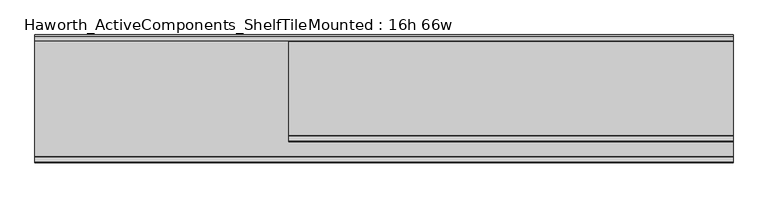
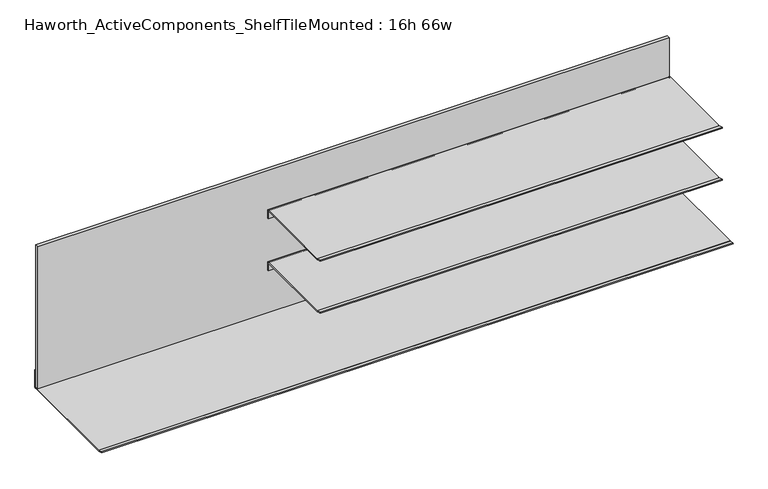
"""IFC4 building model written with IfcOpenShell, lengths in millimetres: furniture geometry, Haworth_ActiveComponents_ShelfTileMounted : 16h 66w."""

from ifc_helpers import new_model, si_unit, point, frame, frame_2d, origin, place, context, project, spatial, polyline, circle_curve, trimmed, segment, composite_curve, outline, extrude, source, transform, mapped, element, save


def haworth_activecomponents_shelftilemounted_16h_66w_fb44802e(model_context):
    return source(origin(), model_context, "Body", "SweptSolid", [
        extrude(outline(composite_curve([segment(polyline([(-1314.0921863, 734.7747869), (-1313.4018975, 737.3509066), (-1301.2394379, 734.0919868)]), True, "CONTINUOUS"), segment(trimmed(circle_curve(frame_2d((-1300.4176878, 737.1588014)), 3.175), [point((-1301.2394379, 734.0919868))], [point((-1300.4176878, 733.9838014))], True, "CARTESIAN"), True, "CONTINUOUS"), segment(polyline([(-1300.4176878, 733.9838014), (-1074.325211, 733.9838014)]), True, "CONTINUOUS"), segment(trimmed(circle_curve(frame_2d((-1074.325211, 730.9985118)), 2.9852896), [point((-1074.325211, 733.9838014))], [point((-1071.3399214, 730.9985118))], False, "CARTESIAN"), True, "CONTINUOUS"), segment(polyline([(-1071.3399214, 730.9985118), (-1071.3399214, 708.5837984), (-1074.2058961, 708.5837984), (-1074.2058961, 730.3073917)]), True, "CONTINUOUS"), segment(trimmed(circle_curve(frame_2d((-1075.2153083, 730.3073917)), 1.0094122), [point((-1074.2058961, 730.3073917))], [point((-1075.2153083, 731.316804))], True, "CARTESIAN"), True, "CONTINUOUS"), segment(polyline([(-1075.2153083, 731.316804), (-1300.768816, 731.316804)]), True, "CONTINUOUS"), segment(trimmed(circle_curve(frame_2d((-1300.768816, 734.491804)), 3.175), [point((-1300.768816, 731.316804))], [point((-1301.5905661, 731.4249894))], False, "CARTESIAN"), True, "CONTINUOUS"), segment(polyline([(-1301.5905661, 731.4249894), (-1314.0921863, 734.7747869)]), True, "CONTINUOUS")], self_intersect=False)), frame((-1879.546931, 0.0, 0.0), z_axis=(1.0, 0.0, 0.0), x_axis=(0.0, 1.0, 0.0)), (0.0, 0.0, 1.0), 1066.8),
        extrude(outline(composite_curve([segment(polyline([(-1314.0921863, 881.0787943), (-1313.4018975, 883.654914), (-1301.2394379, 880.3959943)]), True, "CONTINUOUS"), segment(trimmed(circle_curve(frame_2d((-1300.4176878, 883.4628089)), 3.175), [point((-1301.2394379, 880.3959943))], [point((-1300.4176878, 880.2878089))], True, "CARTESIAN"), True, "CONTINUOUS"), segment(polyline([(-1300.4176878, 880.2878089), (-1074.325211, 880.2878089)]), True, "CONTINUOUS"), segment(trimmed(circle_curve(frame_2d((-1074.325211, 877.3025192)), 2.9852896), [point((-1074.325211, 880.2878089))], [point((-1071.3399214, 877.3025192))], False, "CARTESIAN"), True, "CONTINUOUS"), segment(polyline([(-1071.3399214, 877.3025192), (-1071.3399214, 854.8878058), (-1074.2058961, 854.8878058), (-1074.2058961, 876.6113992)]), True, "CONTINUOUS"), segment(trimmed(circle_curve(frame_2d((-1075.2153083, 876.6113992)), 1.0094122), [point((-1074.2058961, 876.6113992))], [point((-1075.2153083, 877.6208114))], True, "CARTESIAN"), True, "CONTINUOUS"), segment(polyline([(-1075.2153083, 877.6208114), (-1300.768816, 877.6208114)]), True, "CONTINUOUS"), segment(trimmed(circle_curve(frame_2d((-1300.768816, 880.7958114)), 3.175), [point((-1300.768816, 877.6208114))], [point((-1301.5905661, 877.7289968))], False, "CARTESIAN"), True, "CONTINUOUS"), segment(polyline([(-1301.5905661, 877.7289968), (-1314.0921863, 881.0787943)]), True, "CONTINUOUS")], self_intersect=False)), frame((-1879.546931, 0.0, 0.0), z_axis=(1.0, 0.0, 0.0), x_axis=(0.0, 1.0, 0.0)), (0.0, 0.0, 1.0), 1066.8),
        extrude(outline(polyline([(-2489.146931, -1071.3399214), (-2489.146931, -1061.814921), (-812.746931, -1061.814921), (-812.746931, -1071.3399214), (-2489.146931, -1071.3399214)])), frame((0.0, 0.0, 588.8989999), z_axis=(0.0, 0.0, 1.0), x_axis=(1.0, 0.0, 0.0)), (0.0, 0.0, 1.0), 398.6529995),
        extrude(outline(composite_curve([segment(polyline([(-1061.0529213, 584.2), (-1351.0608317, 584.2)]), True, "CONTINUOUS"), segment(trimmed(circle_curve(frame_2d((-1351.0608317, 587.375)), 3.175), [point((-1351.0608317, 584.2))], [point((-1351.8825846, 584.3081862))], False, "CARTESIAN"), True, "CONTINUOUS"), segment(polyline([(-1351.8825846, 584.3081862), (-1364.3841902, 587.6579801), (-1363.6939146, 590.2341249), (-1351.7011481, 587.020674)]), True, "CONTINUOUS"), segment(trimmed(circle_curve(frame_2d((-1350.8794014, 590.0874913)), 3.1750017), [point((-1351.7011481, 587.020674))], [point((-1350.8794014, 586.9124896))], True, "CARTESIAN"), True, "CONTINUOUS"), segment(polyline([(-1350.8794014, 586.9124896), (-1061.5371086, 586.9124896)]), True, "CONTINUOUS"), segment(trimmed(circle_curve(frame_2d((-1061.5371086, 587.9046771)), 0.9921875), [point((-1061.5371086, 586.9124896))], [point((-1060.5449211, 587.9046771))], True, "CARTESIAN"), True, "CONTINUOUS"), segment(polyline([(-1060.5449211, 587.9046771), (-1060.5449211, 634.6189999), (-1057.8779213, 634.6189999), (-1057.8779213, 587.375)]), True, "CONTINUOUS"), segment(trimmed(circle_curve(frame_2d((-1061.0529213, 587.375)), 3.175), [point((-1057.8779213, 587.375))], [point((-1061.0529213, 584.2))], False, "CARTESIAN"), True, "CONTINUOUS")], self_intersect=False)), frame((-2489.146931, 0.0, 0.0), z_axis=(1.0, 0.0, 0.0), x_axis=(0.0, 1.0, 0.0)), (0.0, 0.0, 1.0), 1676.4),
    ])


if __name__ == "__main__":
    model = new_model("IFC4")
    model_context = context("Model", 3, world=origin())
    ifc_project = project(units=[si_unit("LENGTHUNIT", "METRE", prefix="MILLI")], contexts=[model_context])
    site = spatial("IfcSite", under=ifc_project)
    building = spatial("IfcBuilding", under=site)
    placement = place(None, origin())
    haworth_activecomponents_shelftilemounted_16h_66w_shape = haworth_activecomponents_shelftilemounted_16h_66w_fb44802e(model_context)
    element("IfcFurniture", 1, ObjectType="Haworth_ActiveComponents_ShelfTileMounted : 16h 66w", at=placement, inside=building, context=model_context, shape_type="MappedRepresentation", body=[
        mapped(haworth_activecomponents_shelftilemounted_16h_66w_shape, transform((0.0, 0.0, 0.0), x_axis=(1.0, 0.0, 0.0), y_axis=(0.0, 1.0, 0.0), z_axis=(0.0, 0.0, 1.0))),
    ])
    save(model, "model.ifc")
